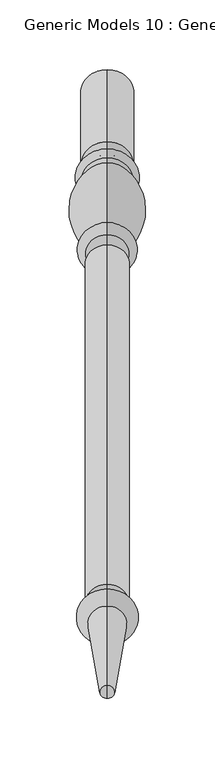
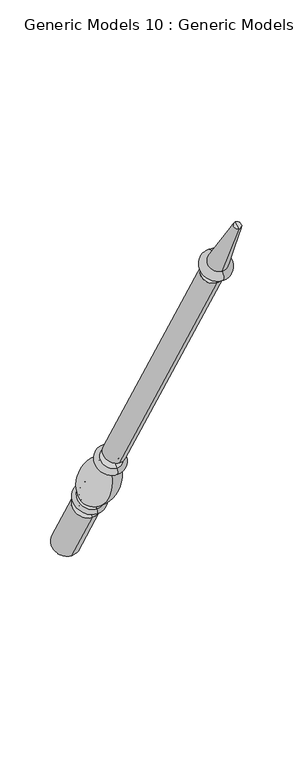
"""IFC4 building model written with IfcOpenShell, lengths in millimetres: proxy geometry, Generic Models 10 : Generic Models 2."""

from ifc_helpers import new_model, si_unit, point, frame, origin, place, context, project, spatial, polyline, circle_curve, ellipse_curve, trimmed, source, transform, mapped, element, save
from ifc_brep_helpers import plane_surface, cylinder_surface, revolved_surface, advanced_brep


def generic_models_10_generic_models_2_e7d4329a(model_context):
    return source(origin(), model_context, "Body", "AdvancedBrep", [
        advanced_brep(
        [(-1340.2684498, 1861.1601077, 610.5814746), (-1340.2684498, 1828.1645398, 591.5314746), (-1340.2684498, 1880.0576333, 501.65), (-1340.2684498, 1913.0532012, 520.7), (-1340.2684498, 1853.6896456, 623.5206944), (-1340.2684498, 1820.6940777, 604.4706944), (-1340.2684498, 1849.5864045, 630.6277165), (-1340.2684498, 1816.5908366, 611.5777165), (-1340.2684498, 1845.9182158, 636.9812058), (-1340.2684498, 1812.9226479, 617.9312058), (-1340.2684498, 1801.1569262, 703.055156), (-1340.2684498, 1778.0815733, 689.7325947), (-1340.2684498, 1799.8610191, 710.4046105), (-1340.2684498, 1772.3647125, 694.5296105), (-1340.2684498, 1794.1590629, 720.2806883), (-1340.2684498, 1766.6627563, 704.4056883), (-1340.2684498, 1786.7732215, 733.0733408), (-1340.2684498, 1759.276915, 717.1983408), (-1340.2684498, 1542.2982215, 1156.516462), (-1340.2684498, 1514.801915, 1140.641462), (-1340.2684498, 1537.2251467, 1153.5875209), (-1340.2684498, 1519.8749898, 1143.5704031), (-1340.2684498, 1531.1910418, 1164.0388972), (-1340.2684498, 1513.8408848, 1154.0217794), (-1340.2684498, 1534.7597609, 1166.0992981), (-1340.2684498, 1510.2721658, 1151.9613785), (-1340.2684498, 1526.5847892, 1180.2587644), (-1340.2684498, 1502.0971941, 1166.1208448), (-1340.2684498, 1469.4852742, 1261.8053229), (-1340.2684498, 1460.0255603, 1256.3437545), (-1340.2684498, 1464.7554173, 1259.0745387), (-1340.2684498, 1896.5554173, 511.175)],
        [
            (0, 1, circle_curve(frame((-1340.2684498, 1844.6623237, 601.0564746), z_axis=(0.0, 0.5000000000000062, -0.8660254037844352), x_axis=(0.0, -0.8660254037844352, -0.5000000000000062)), 19.05)),
            (1, 2),
            (2, 3, circle_curve(frame((-1340.2684498, 1896.5554173, 511.175), z_axis=(0.0, -0.5000000000000062, 0.8660254037844352), x_axis=(0.0, -0.8660254037844352, -0.5000000000000062)), 19.05)),
            (3, 0),
            (1, 0, circle_curve(frame((-1340.2684498, 1844.6623237, 601.0564746), z_axis=(0.0, 0.5000000000000062, -0.8660254037844352), x_axis=(0.0, -0.8660254037844352, -0.5000000000000062)), 19.05)),
            (3, 2, circle_curve(frame((-1340.2684498, 1896.5554173, 511.175), z_axis=(0.0, -0.5000000000000062, 0.8660254037844352), x_axis=(0.0, -0.8660254037844352, -0.5000000000000062)), 19.05)),
            (4, 5, circle_curve(frame((-1340.2684498, 1837.1918617, 613.9956944), z_axis=(0.0, 0.5000000000000062, -0.8660254037844352), x_axis=(0.0, -0.8660254037844352, -0.5000000000000062)), 19.05)),
            (5, 1, circle_curve(frame((-1340.2684498, 1821.8102989, 596.4889985), z_axis=(-1.0, 0.0, 0.0), x_axis=(0.0, 0.8660254037844352, 0.5000000000000062)), 8.0593685)),
            (0, 4, circle_curve(frame((-1340.2684498, 1860.0438865, 618.5631706), z_axis=(-1.0, 0.0, 0.0), x_axis=(0.0, -0.8660254037844352, -0.5000000000000062)), 8.0593685)),
            (5, 4, circle_curve(frame((-1340.2684498, 1837.1918617, 613.9956944), z_axis=(0.0, 0.5000000000000062, -0.8660254037844352), x_axis=(0.0, -0.8660254037844352, -0.5000000000000062)), 19.05)),
            (6, 7, circle_curve(frame((-1340.2684498, 1833.0886205, 621.1027165), z_axis=(0.0, 0.5000000000000062, -0.8660254037844352), x_axis=(0.0, -0.8660254037844352, -0.5000000000000062)), 19.05)),
            (7, 5, circle_curve(frame((-1340.2684498, 1818.6424572, 608.0242055), z_axis=(1.0, 0.0, 0.0), x_axis=(0.0, 0.8660254037844352, 0.5000000000000062)), 4.1032411)),
            (4, 6, circle_curve(frame((-1340.2684498, 1851.638025, 627.0742055), z_axis=(1.0, 0.0, 0.0), x_axis=(0.0, -0.8660254037844352, -0.5000000000000062)), 4.1032411)),
            (7, 6, circle_curve(frame((-1340.2684498, 1833.0886205, 621.1027165), z_axis=(0.0, 0.5000000000000062, -0.8660254037844352), x_axis=(0.0, -0.8660254037844352, -0.5000000000000062)), 19.05)),
            (8, 9, circle_curve(frame((-1340.2684498, 1829.4204318, 627.4562058), z_axis=(0.0, 0.5000000000000062, -0.8660254037844352), x_axis=(0.0, -0.8660254037844352, -0.5000000000000062)), 19.05)),
            (9, 7, circle_curve(frame((-1340.2684498, 1813.3633086, 613.9499618), z_axis=(-1.0, 0.0, 0.0), x_axis=(0.0, 0.8660254037844352, 0.5000000000000062)), 4.0055568)),
            (6, 8, circle_curve(frame((-1340.2684498, 1849.1457438, 634.6089605), z_axis=(-1.0, 0.0, 0.0), x_axis=(0.0, -0.8660254037844352, -0.5000000000000062)), 4.0055568)),
            (9, 8, circle_curve(frame((-1340.2684498, 1829.4204318, 627.4562058), z_axis=(0.0, 0.5000000000000062, -0.8660254037844352), x_axis=(0.0, -0.8660254037844352, -0.5000000000000062)), 19.05)),
            (10, 11, circle_curve(frame((-1340.2684498, 1789.6192497, 696.3938754), z_axis=(0.0, 0.5000000000000062, -0.8660254037844352), x_axis=(0.0, -0.8660254037844352, -0.5000000000000062)), 13.3225612)),
            (11, 9, circle_curve(frame((-1340.2684498, 1854.1299968, 682.2806335), z_axis=(1.0, 0.0, 0.0), x_axis=(0.0, 0.8660254037844352, 0.5000000000000062)), 76.412659)),
            (8, 10, circle_curve(frame((-1340.2684498, 1769.5863022, 633.4693086), z_axis=(1.0, 0.0, 0.0), x_axis=(0.0, -0.8660254037844352, -0.5000000000000062)), 76.412659)),
            (11, 10, circle_curve(frame((-1340.2684498, 1789.6192497, 696.3938754), z_axis=(0.0, 0.5000000000000062, -0.8660254037844352), x_axis=(0.0, -0.8660254037844352, -0.5000000000000062)), 13.3225612)),
            (12, 13, circle_curve(frame((-1340.2684498, 1786.1128658, 702.4671105), z_axis=(0.0, 0.5000000000000062, -0.8660254037844352), x_axis=(0.0, -0.8660254037844352, -0.5000000000000062)), 15.875)),
            (13, 11, circle_curve(frame((-1340.2684498, 1773.4069828, 689.9666873), z_axis=(-1.0, 0.0, 0.0), x_axis=(0.0, 0.8660254037844352, 0.5000000000000062)), 4.6804482)),
            (10, 12, circle_curve(frame((-1340.2684498, 1803.2914914, 707.2205164), z_axis=(-1.0, 0.0, 0.0), x_axis=(0.0, -0.8660254037844352, -0.5000000000000062)), 4.6804482)),
            (13, 12, circle_curve(frame((-1340.2684498, 1786.1128658, 702.4671105), z_axis=(0.0, 0.5000000000000062, -0.8660254037844352), x_axis=(0.0, -0.8660254037844352, -0.5000000000000062)), 15.875)),
            (14, 15, circle_curve(frame((-1340.2684498, 1780.4109096, 712.3431883), z_axis=(0.0, 0.5000000000000062, -0.8660254037844352), x_axis=(0.0, -0.8660254037844352, -0.5000000000000062)), 15.875)),
            (15, 13, circle_curve(frame((-1340.2684498, 1769.5137344, 699.4676494), z_axis=(1.0, 0.0, 0.0), x_axis=(0.0, 0.8660254037844352, 0.5000000000000062)), 5.7019562)),
            (12, 14, circle_curve(frame((-1340.2684498, 1797.010041, 715.3426494), z_axis=(1.0, 0.0, 0.0), x_axis=(0.0, -0.8660254037844352, -0.5000000000000062)), 5.7019562)),
            (15, 14, circle_curve(frame((-1340.2684498, 1780.4109096, 712.3431883), z_axis=(0.0, 0.5000000000000062, -0.8660254037844352), x_axis=(0.0, -0.8660254037844352, -0.5000000000000062)), 15.875)),
            (16, 17, circle_curve(frame((-1340.2684498, 1773.0250683, 725.1358408), z_axis=(0.0, 0.5000000000000062, -0.8660254037844352), x_axis=(0.0, -0.8660254037844352, -0.5000000000000062)), 15.875)),
            (17, 15, circle_curve(frame((-1340.2684498, 1762.9698356, 710.8020145), z_axis=(-1.0, 0.0, 0.0), x_axis=(0.0, 0.8660254037844352, 0.5000000000000062)), 7.3858413)),
            (14, 16, circle_curve(frame((-1340.2684498, 1790.4661422, 726.6770145), z_axis=(-1.0, 0.0, 0.0), x_axis=(0.0, -0.8660254037844352, -0.5000000000000062)), 7.3858413)),
            (17, 16, circle_curve(frame((-1340.2684498, 1773.0250683, 725.1358408), z_axis=(0.0, 0.5000000000000062, -0.8660254037844352), x_axis=(0.0, -0.8660254037844352, -0.5000000000000062)), 15.875)),
            (18, 19, circle_curve(frame((-1340.2684498, 1528.5500683, 1148.578962), z_axis=(0.0, 0.5000000000000062, -0.8660254037844352), x_axis=(0.0, -0.8660254037844352, -0.5000000000000062)), 15.875)),
            (19, 17),
            (16, 18),
            (19, 18, circle_curve(frame((-1340.2684498, 1528.5500683, 1148.578962), z_axis=(0.0, 0.5000000000000062, -0.8660254037844352), x_axis=(0.0, -0.8660254037844352, -0.5000000000000062)), 15.875)),
            (20, 21, circle_curve(frame((-1340.2684498, 1528.5500683, 1148.578962), z_axis=(0.0, 0.5000000000000062, -0.8660254037844352), x_axis=(0.0, -0.8660254037844352, -0.5000000000000062)), 10.0171178)),
            (21, 19),
            (18, 20),
            (21, 20, circle_curve(frame((-1340.2684498, 1528.5500683, 1148.578962), z_axis=(0.0, 0.5000000000000062, -0.8660254037844352), x_axis=(0.0, -0.8660254037844352, -0.5000000000000062)), 10.0171178)),
            (22, 23, circle_curve(frame((-1340.2684498, 1522.5159633, 1159.0303383), z_axis=(0.0, 0.5000000000000062, -0.8660254037844352), x_axis=(0.0, -0.8660254037844352, -0.5000000000000062)), 10.0171178)),
            (23, 21, circle_curve(frame((-1340.2684498, 1515.3020818, 1147.8978177), z_axis=(-1.0, 0.0, 0.0), x_axis=(0.0, 0.8660254037844352, 0.5000000000000062)), 6.295872)),
            (20, 22, circle_curve(frame((-1340.2684498, 1535.7639497, 1159.7114826), z_axis=(-1.0, 0.0, 0.0), x_axis=(0.0, -0.8660254037844352, -0.5000000000000062)), 6.295872)),
            (23, 22, circle_curve(frame((-1340.2684498, 1522.5159633, 1159.0303383), z_axis=(0.0, 0.5000000000000062, -0.8660254037844352), x_axis=(0.0, -0.8660254037844352, -0.5000000000000062)), 10.0171178)),
            (24, 25, circle_curve(frame((-1340.2684498, 1522.5159633, 1159.0303383), z_axis=(0.0, 0.5000000000000062, -0.8660254037844352), x_axis=(0.0, -0.8660254037844352, -0.5000000000000062)), 14.1379196)),
            (25, 23),
            (22, 24),
            (25, 24, circle_curve(frame((-1340.2684498, 1522.5159633, 1159.0303383), z_axis=(0.0, 0.5000000000000062, -0.8660254037844352), x_axis=(0.0, -0.8660254037844352, -0.5000000000000062)), 14.1379196)),
            (26, 27, circle_curve(frame((-1340.2684498, 1514.3409916, 1173.1898046), z_axis=(0.0, 0.5000000000000062, -0.8660254037844352), x_axis=(0.0, -0.8660254037844352, -0.5000000000000062)), 14.1379196)),
            (27, 25, circle_curve(frame((-1340.2684498, 1506.1846799, 1159.0411116), z_axis=(1.0, 0.0, 0.0), x_axis=(0.0, 0.8660254037844352, 0.5000000000000062)), 8.1749717)),
            (24, 26, circle_curve(frame((-1340.2684498, 1530.672275, 1173.1790313), z_axis=(1.0, 0.0, 0.0), x_axis=(0.0, -0.8660254037844352, -0.5000000000000062)), 8.1749717)),
            (27, 26, circle_curve(frame((-1340.2684498, 1514.3409916, 1173.1898046), z_axis=(0.0, 0.5000000000000062, -0.8660254037844352), x_axis=(0.0, -0.8660254037844352, -0.5000000000000062)), 14.1379196)),
            (28, 29, circle_curve(frame((-1340.2684498, 1464.7554173, 1259.0745387), z_axis=(0.0, 0.5000000000000062, -0.8660254037844352), x_axis=(0.0, -0.8660254037844352, -0.5000000000000062)), 5.4615684)),
            (29, 27),
            (26, 28),
            (29, 28, circle_curve(frame((-1340.2684498, 1464.7554173, 1259.0745387), z_axis=(0.0, 0.5000000000000062, -0.8660254037844352), x_axis=(0.0, -0.8660254037844352, -0.5000000000000062)), 5.4615684)),
            (30, 29),
            (28, 30),
            (2, 31),
            (31, 3),
        ],
        [
            cylinder_surface(frame((-1340.2684498, 1464.7554173, 1259.0745387), z_axis=(0.0, -0.5000000000000062, 0.8660254037844352), x_axis=(0.0, -0.8660254037844352, -0.5000000000000062)), 19.05),
            revolved_surface(trimmed(ellipse_curve(frame((-1340.2684498, 1821.8102989, 596.4889985), z_axis=(1.0, 0.0, 0.0), x_axis=(0.0, 0.8660254037844352, 0.5000000000000062)), 8.0593685, 8.0593685), [point((-1340.2684498, 1828.1645398, 591.5314746))], [point((-1340.2684498, 1820.6940777, 604.4706944))], True, "CARTESIAN"), (-1340.2684498, 1464.7554173, 1259.0745387), (0.0, -0.5000000000000062, 0.8660254037844352)),
            revolved_surface(trimmed(ellipse_curve(frame((-1340.2684498, 1818.6424572, 608.0242055), z_axis=(-1.0, 0.0, 0.0), x_axis=(0.0, 0.8660254037844352, 0.5000000000000062)), 4.1032411, 4.1032411), [point((-1340.2684498, 1820.6940777, 604.4706944))], [point((-1340.2684498, 1816.5908366, 611.5777165))], True, "CARTESIAN"), (-1340.2684498, 1464.7554173, 1259.0745387), (0.0, -0.5000000000000062, 0.8660254037844352)),
            revolved_surface(trimmed(ellipse_curve(frame((-1340.2684498, 1813.3633086, 613.9499618), z_axis=(1.0, 0.0, 0.0), x_axis=(0.0, 0.8660254037844352, 0.5000000000000062)), 4.0055568, 4.0055568), [point((-1340.2684498, 1816.5908366, 611.5777165))], [point((-1340.2684498, 1812.9226479, 617.9312058))], True, "CARTESIAN"), (-1340.2684498, 1464.7554173, 1259.0745387), (0.0, -0.5000000000000062, 0.8660254037844352)),
            revolved_surface(trimmed(ellipse_curve(frame((-1340.2684498, 1854.1299968, 682.2806335), z_axis=(-1.0, 0.0, 0.0), x_axis=(0.0, 0.8660254037844352, 0.5000000000000062)), 76.412659, 76.412659), [point((-1340.2684498, 1812.9226479, 617.9312058))], [point((-1340.2684498, 1778.0815733, 689.7325947))], True, "CARTESIAN"), (-1340.2684498, 1464.7554173, 1259.0745387), (0.0, -0.5000000000000062, 0.8660254037844352)),
            revolved_surface(trimmed(ellipse_curve(frame((-1340.2684498, 1773.4069828, 689.9666873), z_axis=(1.0, 0.0, 0.0), x_axis=(0.0, 0.8660254037844352, 0.5000000000000062)), 4.6804482, 4.6804482), [point((-1340.2684498, 1778.0815733, 689.7325947))], [point((-1340.2684498, 1772.3647125, 694.5296105))], True, "CARTESIAN"), (-1340.2684498, 1464.7554173, 1259.0745387), (0.0, -0.5000000000000062, 0.8660254037844352)),
            revolved_surface(trimmed(ellipse_curve(frame((-1340.2684498, 1769.5137344, 699.4676494), z_axis=(-1.0, 0.0, 0.0), x_axis=(0.0, 0.8660254037844352, 0.5000000000000062)), 5.7019562, 5.7019562), [point((-1340.2684498, 1772.3647125, 694.5296105))], [point((-1340.2684498, 1766.6627563, 704.4056883))], True, "CARTESIAN"), (-1340.2684498, 1464.7554173, 1259.0745387), (0.0, -0.5000000000000062, 0.8660254037844352)),
            revolved_surface(trimmed(ellipse_curve(frame((-1340.2684498, 1762.9698356, 710.8020145), z_axis=(1.0, 0.0, 0.0), x_axis=(0.0, 0.8660254037844352, 0.5000000000000062)), 7.3858413, 7.3858413), [point((-1340.2684498, 1766.6627563, 704.4056883))], [point((-1340.2684498, 1759.276915, 717.1983408))], True, "CARTESIAN"), (-1340.2684498, 1464.7554173, 1259.0745387), (0.0, -0.5000000000000062, 0.8660254037844352)),
            cylinder_surface(frame((-1340.2684498, 1464.7554173, 1259.0745387), z_axis=(0.0, -0.5000000000000062, 0.8660254037844352), x_axis=(0.0, -0.8660254037844352, -0.5000000000000062)), 15.875),
            plane_surface(frame((-1340.2684498, 1528.5500683, 1148.578962), z_axis=(0.0, -0.5000000000000062, 0.8660254037844352), x_axis=(0.0, -0.8660254037844352, -0.5000000000000062))),
            revolved_surface(trimmed(ellipse_curve(frame((-1340.2684498, 1515.3020818, 1147.8978177), z_axis=(1.0, 0.0, 0.0), x_axis=(0.0, 0.8660254037844352, 0.5000000000000062)), 6.295872, 6.295872), [point((-1340.2684498, 1519.8749898, 1143.5704031))], [point((-1340.2684498, 1513.8408848, 1154.0217794))], True, "CARTESIAN"), (-1340.2684498, 1464.7554173, 1259.0745387), (0.0, -0.5000000000000062, 0.8660254037844352)),
            plane_surface(frame((-1340.2684498, 1522.5159633, 1159.0303383), z_axis=(0.0, 0.5000000000000062, -0.8660254037844352), x_axis=(0.0, -0.8660254037844352, -0.5000000000000062))),
            revolved_surface(trimmed(ellipse_curve(frame((-1340.2684498, 1506.1846799, 1159.0411116), z_axis=(-1.0, 0.0, 0.0), x_axis=(0.0, 0.8660254037844352, 0.5000000000000062)), 8.1749717, 8.1749717), [point((-1340.2684498, 1510.2721658, 1151.9613785))], [point((-1340.2684498, 1502.0971941, 1166.1208448))], True, "CARTESIAN"), (-1340.2684498, 1464.7554173, 1259.0745387), (0.0, -0.5000000000000062, 0.8660254037844352)),
            revolved_surface(polyline([(-1340.2684498, 1502.0971941, 1166.1208448), (-1340.2684498, 1460.0255603, 1256.3437545)]), (-1340.2684498, 1464.7554173, 1259.0745387), (0.0, -0.5000000000000062, 0.8660254037844352)),
            plane_surface(frame((-1340.2684498, 1464.7554173, 1259.0745387), z_axis=(0.0, -0.5000000000000062, 0.8660254037844352), x_axis=(0.0, -0.8660254037844352, -0.5000000000000062))),
            plane_surface(frame((-1340.2684498, 1896.5554173, 511.175), z_axis=(0.0, 0.5000000000000062, -0.8660254037844352), x_axis=(0.0, -0.8660254037844352, -0.5000000000000062))),
        ],
        [
            (0, [[1, 2, 3, 4]]),
            (0, [[5, -4, 6, -2]]),
            (1, [[7, 8, -1, 9]]),
            (1, [[10, -9, -5, -8]]),
            (2, [[11, 12, -7, 13]]),
            (2, [[14, -13, -10, -12]]),
            (3, [[15, 16, -11, 17]]),
            (3, [[18, -17, -14, -16]]),
            (4, [[19, 20, -15, 21]]),
            (4, [[22, -21, -18, -20]]),
            (5, [[23, 24, -19, 25]]),
            (5, [[26, -25, -22, -24]]),
            (6, [[27, 28, -23, 29]]),
            (6, [[30, -29, -26, -28]]),
            (7, [[31, 32, -27, 33]]),
            (7, [[34, -33, -30, -32]]),
            (8, [[35, 36, -31, 37]]),
            (8, [[38, -37, -34, -36]]),
            (9, [[39, 40, -35, 41]]),
            (9, [[42, -41, -38, -40]]),
            (10, [[43, 44, -39, 45]]),
            (10, [[46, -45, -42, -44]]),
            (11, [[47, 48, -43, 49]]),
            (11, [[50, -49, -46, -48]]),
            (12, [[51, 52, -47, 53]]),
            (12, [[54, -53, -50, -52]]),
            (13, [[55, 56, -51, 57]]),
            (13, [[58, -57, -54, -56]]),
            (14, [[59, -55, 60]]),
            (14, [[-60, -58, -59]]),
            (15, [[-3, 61, 62]]),
            (15, [[-6, -62, -61]]),
        ],
    ),
    ])


if __name__ == "__main__":
    model = new_model("IFC4")
    model_context = context("Model", 3, world=origin())
    ifc_project = project(units=[si_unit("LENGTHUNIT", "METRE", prefix="MILLI")], contexts=[model_context])
    site = spatial("IfcSite", under=ifc_project)
    building = spatial("IfcBuilding", under=site)
    placement = place(None, origin())
    generic_models_10_generic_models_2_shape = generic_models_10_generic_models_2_e7d4329a(model_context)
    element("IfcBuildingElementProxy", 1, Name="Generic Models 10 : Generic Models 2", ObjectType="Generic Models 10 : Generic Models 2", at=placement, inside=building, context=model_context, shape_type="MappedRepresentation", body=[
        mapped(generic_models_10_generic_models_2_shape, transform((0.0, 0.0, 0.0), x_axis=(1.0, 0.0, 0.0), y_axis=(0.0, 1.0, 0.0), z_axis=(0.0, 0.0, 1.0))),
    ])
    save(model, "model.ifc")
